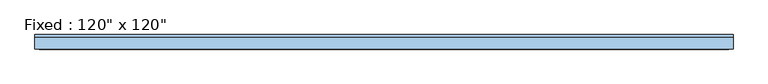
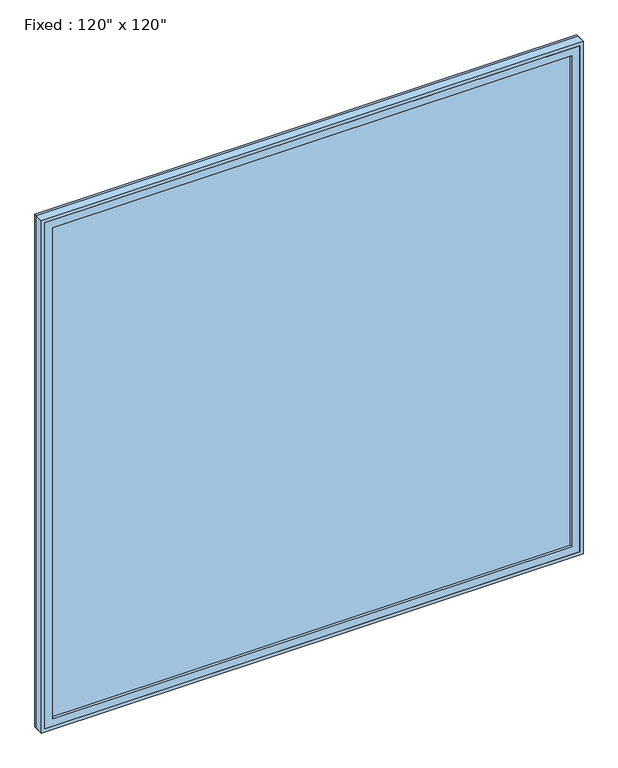
"""IFC4 building model written with IfcOpenShell, lengths in millimetres: window geometry."""

from ifc_helpers import new_model, si_unit, frame, origin, place, context, project, spatial, polyline, outline, extrude, source, transform, mapped, element, save


def window_18e63419(model_context):
    return source(origin(), model_context, "Body", "SweptSolid", [
        extrude(outline(polyline([(1422.4, -41.275), (-1498.6, -41.275), (-1498.6, -28.575), (1422.4, -28.575), (1422.4, -41.275)])), frame((0.0, 0.0, 368.3), z_axis=(0.0, 0.0, 1.0), x_axis=(1.0, 0.0, 0.0)), (0.0, 0.0, 1.0), 2921.0),
        extrude(outline(polyline([(3333.75, -1543.05), (323.85, -1543.05), (323.85, 1466.85), (3333.75, 1466.85), (3333.75, -1543.05)]), holes=[polyline([(3289.3, -1498.6), (3289.3, 1422.4), (368.3, 1422.4), (368.3, -1498.6), (3289.3, -1498.6)])]), frame((0.0, -57.15, 0.0), z_axis=(0.0, 1.0, 0.0), x_axis=(0.0, 0.0, 1.0)), (0.0, 0.0, 1.0), 44.45),
        extrude(outline(polyline([(3352.8, -1562.1), (304.8, -1562.1), (304.8, 1485.9), (3352.8, 1485.9), (3352.8, -1562.1)]), holes=[polyline([(3321.05, -1530.35), (3321.05, 1454.15), (336.55, 1454.15), (336.55, -1530.35), (3321.05, -1530.35)])]), frame((0.0, -57.15, 0.0), z_axis=(0.0, 1.0, 0.0), x_axis=(0.0, 0.0, 1.0)), (0.0, 0.0, 1.0), 50.8),
        extrude(outline(polyline([(3352.8, 1485.9), (3352.8, -1562.1), (304.8, -1562.1), (304.8, 1485.9), (3352.8, 1485.9)]), holes=[polyline([(3333.75, 1466.85), (323.85, 1466.85), (323.85, -1543.05), (3333.75, -1543.05), (3333.75, 1466.85)])]), frame((0.0, -57.15, 0.0), z_axis=(0.0, 1.0, 0.0), x_axis=(0.0, 0.0, 1.0)), (0.0, 0.0, 1.0), 63.5),
    ])


if __name__ == "__main__":
    model = new_model("IFC4")
    model_context = context("Model", 3, world=origin())
    ifc_project = project(units=[si_unit("LENGTHUNIT", "METRE", prefix="MILLI")], contexts=[model_context])
    site = spatial("IfcSite", under=ifc_project)
    building = spatial("IfcBuilding", under=site)
    placement = place(None, origin())
    window_shape = window_18e63419(model_context)
    element("IfcWindow", 1, ObjectType="Fixed : 120\" x 120\"", at=placement, inside=building, context=model_context, shape_type="MappedRepresentation", body=[
        mapped(window_shape, transform((0.0, 0.0, 0.0), x_axis=(1.0, 0.0, 0.0), y_axis=(0.0, 1.0, 0.0), z_axis=(0.0, 0.0, 1.0))),
    ])
    save(model, "model.ifc")
